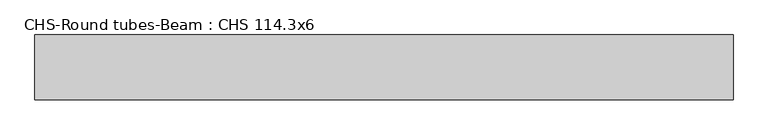
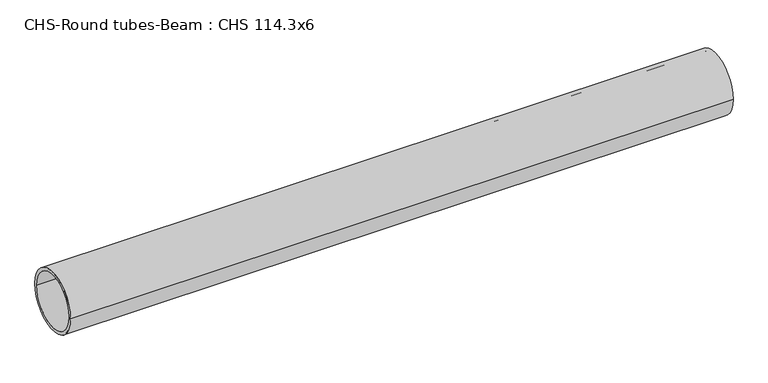
"""IFC4 building model written with IfcOpenShell, lengths in millimetres: beam geometry, CHS-Round tubes-Beam : CHS 114.3x6."""

from ifc_helpers import new_model, si_unit, point, frame, origin, origin_2d, place, context, project, spatial, circle_curve, trimmed, segment, composite_curve, outline, extrude, source, transform, mapped, element, save


def chs_round_tubes_beam_chs_114_3x6_6ba34e16(model_context):
    return source(origin(), model_context, "Body", "SweptSolid", [
        extrude(outline(composite_curve([segment(trimmed(circle_curve(origin_2d(), 57.15), [point((57.15, 0.0))], [point((-57.15, 0.0))], False, "CARTESIAN"), True, "CONTINUOUS"), segment(trimmed(circle_curve(origin_2d(), 57.15), [point((-57.15, 0.0))], [point((57.15, 0.0))], False, "CARTESIAN"), True, "CONTINUOUS")], self_intersect=False), holes=[composite_curve([segment(trimmed(circle_curve(origin_2d(), 51.15), [point((51.15, 0.0))], [point((-51.15, 0.0))], True, "CARTESIAN"), True, "CONTINUOUS"), segment(trimmed(circle_curve(origin_2d(), 51.15), [point((-51.15, 0.0))], [point((51.15, 0.0))], True, "CARTESIAN"), True, "CONTINUOUS")], self_intersect=False)]), frame((-614.8719998, 0.0, 0.0), z_axis=(1.0, 0.0, 0.0), x_axis=(0.0, 1.0, 0.0)), (0.0, 0.0, 1.0), 1229.7384549),
    ])


if __name__ == "__main__":
    model = new_model("IFC4")
    model_context = context("Model", 3, world=origin())
    ifc_project = project(units=[si_unit("LENGTHUNIT", "METRE", prefix="MILLI")], contexts=[model_context])
    site = spatial("IfcSite", under=ifc_project)
    building = spatial("IfcBuilding", under=site)
    placement = place(None, origin())
    chs_round_tubes_beam_chs_114_3x6_shape = chs_round_tubes_beam_chs_114_3x6_6ba34e16(model_context)
    element("IfcBeam", 1, ObjectType="CHS-Round tubes-Beam : CHS 114.3x6", at=placement, inside=building, context=model_context, shape_type="MappedRepresentation", body=[
        mapped(chs_round_tubes_beam_chs_114_3x6_shape, transform((0.0, 0.0, 0.0), x_axis=(1.0, 0.0, 0.0), y_axis=(0.0, 1.0, 0.0), z_axis=(0.0, 0.0, 1.0))),
    ])
    save(model, "model.ifc")
